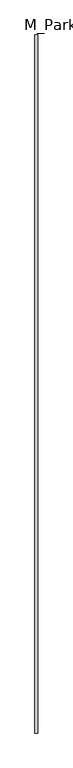
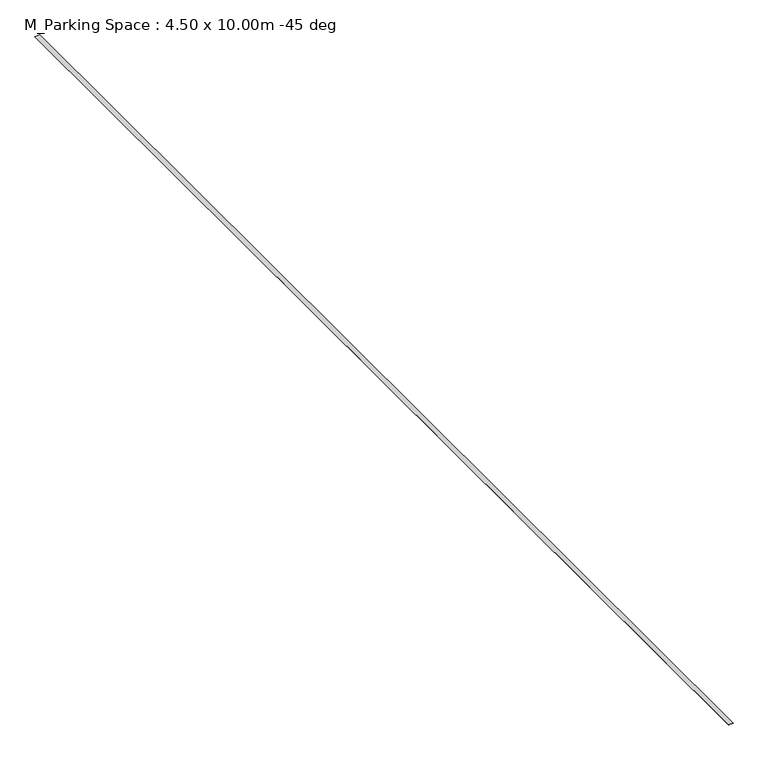
"""IFC4 building model written with IfcOpenShell, lengths in millimetres: proxy geometry, M_Parking Space : 4.50 x 10.00m -45 deg."""

from ifc_helpers import new_model, si_unit, origin, origin_with_axes, place, context, project, spatial, polyline, outline, extrude, source, transform, mapped, element, save


def m_parking_space_4_50_x_10_00m_45_deg_5237f60f(model_context):
    return source(origin(), model_context, "Body", "SweptSolid", [
        extrude(outline(polyline([(-50.8, 0.0), (-50.8, 25000.0), (50.8, 25000.0), (50.8, 0.0), (-50.8, 0.0)])), origin_with_axes(), (0.0, 0.0, 1.0), 3.175),
    ])


if __name__ == "__main__":
    model = new_model("IFC4")
    model_context = context("Model", 3, world=origin())
    ifc_project = project(units=[si_unit("LENGTHUNIT", "METRE", prefix="MILLI")], contexts=[model_context])
    site = spatial("IfcSite", under=ifc_project)
    building = spatial("IfcBuilding", under=site)
    placement = place(None, origin())
    m_parking_space_4_50_x_10_00m_45_deg_shape = m_parking_space_4_50_x_10_00m_45_deg_5237f60f(model_context)
    element("IfcBuildingElementProxy", 1, Name="M_Parking Space : 4.50 x 10.00m -45 deg", ObjectType="M_Parking Space : 4.50 x 10.00m -45 deg", at=placement, inside=building, context=model_context, shape_type="MappedRepresentation", body=[
        mapped(m_parking_space_4_50_x_10_00m_45_deg_shape, transform((0.0, 0.0, 0.0), x_axis=(1.0, 0.0, 0.0), y_axis=(0.0, 1.0, 0.0), z_axis=(0.0, 0.0, 1.0))),
    ])
    save(model, "model.ifc")
